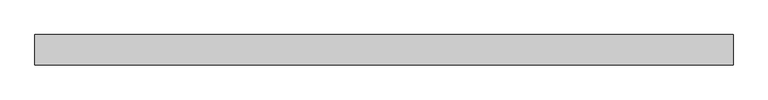
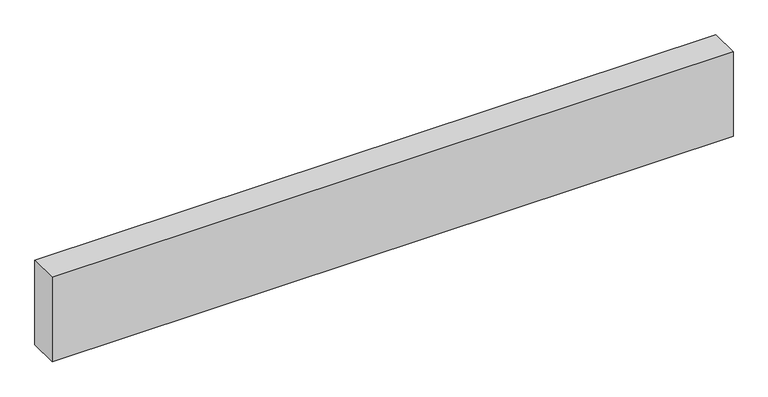
"""IFC4 building model written with IfcOpenShell, lengths in millimetres: proxy geometry."""

from ifc_helpers import new_model, si_unit, origin, origin_with_axes, place, context, project, spatial, polyline, outline, extrude, source, transform, mapped, element, save


def generic_models_5bc6048f(model_context):
    return source(origin(), model_context, "Body", "SweptSolid", [
        extrude(outline(polyline([(2292.5622345, 0.0), (2292.5622345, -100.0), (0.0, -100.0), (0.0, 0.0), (2292.5622345, 0.0)])), origin_with_axes(), (0.0, 0.0, 1.0), 300.0),
    ])


if __name__ == "__main__":
    model = new_model("IFC4")
    model_context = context("Model", 3, world=origin())
    ifc_project = project(units=[si_unit("LENGTHUNIT", "METRE", prefix="MILLI")], contexts=[model_context])
    site = spatial("IfcSite", under=ifc_project)
    building = spatial("IfcBuilding", under=site)
    placement = place(None, origin())
    generic_models_shape = generic_models_5bc6048f(model_context)
    element("IfcBuildingElementProxy", 1, Name="Generic Models", at=placement, inside=building, context=model_context, shape_type="MappedRepresentation", body=[
        mapped(generic_models_shape, transform((0.0, 0.0, 0.0), x_axis=(1.0, 0.0, 0.0), y_axis=(0.0, 1.0, 0.0), z_axis=(0.0, 0.0, 1.0))),
    ])
    save(model, "model.ifc")
